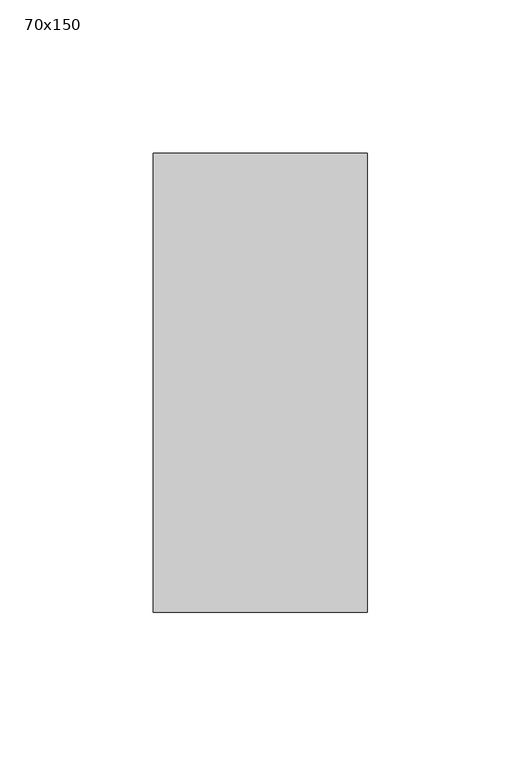
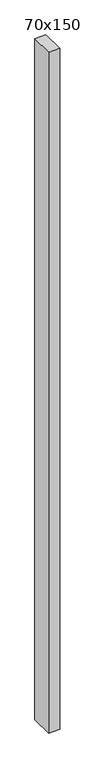
"""IFC4 building model written with IfcOpenShell, lengths in millimetres: member geometry, 70x150."""

from ifc_helpers import new_model, si_unit, frame, origin, place, context, project, spatial, polyline, outline, extrude, source, transform, mapped, element, save


def member_70x150_cb2c3fb9(model_context):
    return source(origin(), model_context, "Body", "SweptSolid", [
        extrude(outline(polyline([(0.0, 75.0), (0.0, -75.0), (-70.0, -75.0), (-70.0, 75.0), (0.0, 75.0)])), frame((0.0, 0.0, -4563.3333333), z_axis=(0.0, 0.0, 1.0), x_axis=(1.0, 0.0, 0.0)), (0.0, 0.0, 1.0), 4563.3333333),
    ])


if __name__ == "__main__":
    model = new_model("IFC4")
    model_context = context("Model", 3, world=origin())
    ifc_project = project(units=[si_unit("LENGTHUNIT", "METRE", prefix="MILLI")], contexts=[model_context])
    site = spatial("IfcSite", under=ifc_project)
    building = spatial("IfcBuilding", under=site)
    placement = place(None, origin())
    member_70x150_shape = member_70x150_cb2c3fb9(model_context)
    element("IfcMember", 1, ObjectType="70x150", at=placement, inside=building, context=model_context, shape_type="MappedRepresentation", body=[
        mapped(member_70x150_shape, transform((0.0, 0.0, 0.0), x_axis=(1.0, 0.0, 0.0), y_axis=(0.0, 1.0, 0.0), z_axis=(0.0, 0.0, 1.0))),
    ])
    save(model, "model.ifc")
